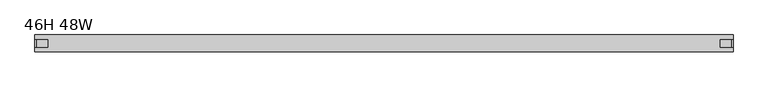
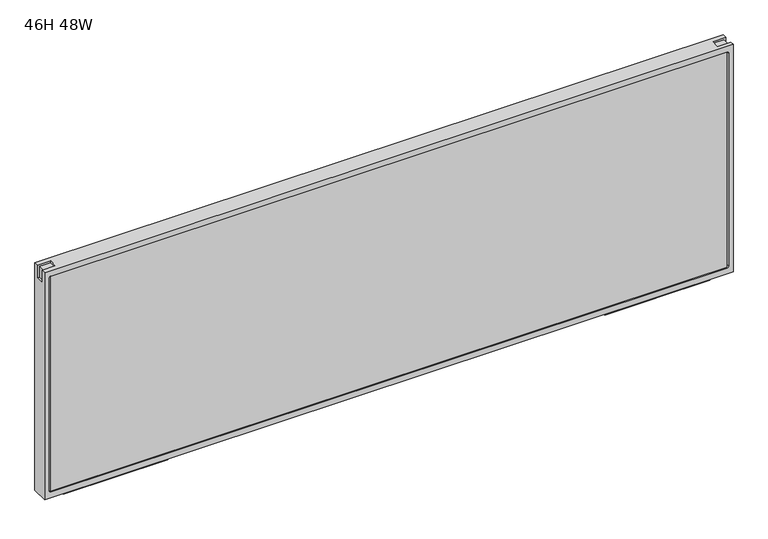
"""IFC4 building model written with IfcOpenShell, lengths in millimetres: furniture geometry, 46H 48W."""

from ifc_helpers import new_model, si_unit, frame, origin, place, context, project, spatial, polyline, circle_curve, outline, extrude, source, transform, mapped, element, save
from ifc_brep_helpers import plane_surface, revolved_surface, advanced_brep


def furniture_46h_48w_407ffd1c(model_context):
    return source(origin(), model_context, "Body", "SolidModel", [
        extrude(outline(polyline([(8.4697679, 726.1923898), (6.659978, 724.3826), (-6.659978, 724.3826), (-8.4697679, 726.1923898), (-8.7854056, 732.2151161), (8.7854056, 732.2151161), (8.4697679, 726.1923898)])), frame((993.8119922, 0.0, 0.0), z_axis=(1.0, 0.0, 0.0), x_axis=(0.0, 1.0, 0.0)), (0.0, 0.0, 1.0), 184.6490785),
        extrude(outline(polyline([(8.4697679, 726.1923898), (6.659978, 724.3826), (-6.659978, 724.3826), (-8.4697679, 726.1923898), (-8.7854056, 732.2151161), (8.7854056, 732.2151161), (8.4697679, 726.1923898)])), frame((37.6909293, 0.0, 0.0), z_axis=(1.0, 0.0, 0.0), x_axis=(0.0, 1.0, 0.0)), (0.0, 0.0, 1.0), 184.6490785),
        advanced_brep(
        [(0.0, -14.75, 1156.589), (0.0, -14.75, 732.2151161), (1216.152, -14.75, 732.2151161), (1216.152, -14.75, 1156.589), (1205.1519651, -14.75, 742.965114), (11.4000184, -14.75, 742.965114), (8.4000005, -14.75, 745.9651317), (8.4000005, -14.75, 1142.8389579), (11.4000383, -14.75, 1145.8389956), (1205.2728524, -14.75, 1145.8389956), (1208.152, -14.75, 1142.959848), (1208.152, -14.75, 745.9651489), (0.0, 14.75, 1156.589), (1216.152, 14.75, 1156.589), (1216.152, 14.75, 732.2151161), (0.0, 14.75, 732.2151161), (1205.1519651, 14.75, 742.965114), (1208.152, 14.75, 745.9651489), (1208.152, 14.75, 1142.959848), (1205.2728524, 14.75, 1145.8389956), (11.4000383, 14.75, 1145.8389956), (8.4000005, 14.75, 1142.8389579), (8.4000005, 14.75, 745.9651317), (11.4000184, 14.75, 742.965114), (0.0, -7.4999998, 1156.589), (0.0, -7.4999998, 1133.2078517), (0.0, 7.4999998, 1133.2078517), (0.0, 7.4999998, 1156.589), (1216.152, 7.4999998, 1156.589), (1216.152, 7.4999998, 1133.1484257), (1216.152, -7.4999998, 1133.1484257), (1216.152, -7.4999998, 1156.589), (1192.7708517, -7.4999998, 1156.589), (1192.7708517, 7.4999998, 1156.589), (23.5000004, 7.4999998, 1156.589), (23.5000004, -7.4999998, 1156.589), (23.5000004, -7.4999998, 1153.3578572), (3.3499999, -7.4999998, 1153.3578572), (3.3499999, -7.4999998, 1133.2078517), (1212.9208572, -7.4999998, 1133.1484257), (1212.9208572, -7.4999998, 1153.2984261), (1192.7708517, -7.4999998, 1153.2984261), (3.3499999, 7.4999998, 1133.2078517), (3.3499999, 7.4999998, 1153.3578572), (23.5000004, 7.4999998, 1153.3578572), (1192.7708517, 7.4999998, 1153.2984261), (1212.9208572, 7.4999998, 1153.2984261), (1212.9208572, 7.4999998, 1133.1484257)],
        [
            (0, 1),
            (1, 2),
            (2, 3),
            (3, 0),
            (4, 5),
            (5, 6, circle_curve(frame((11.4000184, -14.75, 745.9651319), z_axis=(0.0, 1.0, 0.0), x_axis=(1.0, 0.0, 0.0)), 3.0000179)),
            (6, 7),
            (7, 8, circle_curve(frame((11.4000383, -14.75, 1142.8389579), z_axis=(0.0, 1.0, 0.0), x_axis=(1.0, 0.0, 0.0)), 3.0000378)),
            (8, 9),
            (9, 10, circle_curve(frame((1205.2728524, -14.75, 1142.959848), z_axis=(0.0, 1.0, 0.0), x_axis=(1.0, 0.0, 0.0)), 2.8791476)),
            (10, 11),
            (11, 4, circle_curve(frame((1205.1519651, -14.75, 745.9651489), z_axis=(0.0, 1.0, 0.0), x_axis=(1.0, 0.0, 0.0)), 3.0000349)),
            (12, 13),
            (13, 14),
            (14, 15),
            (15, 12),
            (16, 17, circle_curve(frame((1205.1519651, 14.75, 745.9651489), z_axis=(0.0, -1.0, 0.0), x_axis=(1.0, 0.0, 0.0)), 3.0000349)),
            (17, 18),
            (18, 19, circle_curve(frame((1205.2728524, 14.75, 1142.959848), z_axis=(0.0, -1.0, 0.0), x_axis=(1.0, 0.0, 0.0)), 2.8791476)),
            (19, 20),
            (20, 21, circle_curve(frame((11.4000383, 14.75, 1142.8389579), z_axis=(0.0, -1.0, 0.0), x_axis=(1.0, 0.0, 0.0)), 3.0000378)),
            (21, 22),
            (22, 23, circle_curve(frame((11.4000184, 14.75, 745.9651319), z_axis=(0.0, -1.0, 0.0), x_axis=(1.0, 0.0, 0.0)), 3.0000179)),
            (23, 16),
            (0, 24),
            (24, 25),
            (25, 26),
            (26, 27),
            (27, 12),
            (15, 1),
            (14, 2),
            (13, 28),
            (28, 29),
            (29, 30),
            (30, 31),
            (31, 3),
            (31, 32),
            (32, 33),
            (33, 28),
            (27, 34),
            (34, 35),
            (35, 24),
            (4, 16),
            (23, 5),
            (6, 22),
            (21, 7),
            (8, 20),
            (19, 9),
            (35, 36),
            (36, 37),
            (37, 38),
            (38, 25),
            (30, 39),
            (39, 40),
            (40, 41),
            (41, 32),
            (26, 42),
            (42, 43),
            (43, 44),
            (44, 34),
            (33, 45),
            (45, 46),
            (46, 47),
            (47, 29),
            (38, 42),
            (37, 43),
            (44, 36),
            (41, 45),
            (40, 46),
            (39, 47),
            (18, 10),
            (17, 11),
        ],
        [
            plane_surface(frame((0.0, -14.75, 1156.589), z_axis=(0.0, -1.0, 0.0), x_axis=(0.0, 0.0, -1.0))),
            plane_surface(frame((0.0, 14.75, 1156.589), z_axis=(0.0, 1.0, 0.0), x_axis=(0.0, 0.0, 1.0))),
            plane_surface(frame((0.0, -14.75, 1156.589), z_axis=(-1.0, 0.0, 0.0), x_axis=(0.0, 1.0, 0.0))),
            plane_surface(frame((0.0, -14.75, 732.2151161), z_axis=(0.0, 0.0, -1.0), x_axis=(0.0, 1.0, 0.0))),
            plane_surface(frame((1216.152, -14.75, 732.2151161), z_axis=(1.0, 0.0, 0.0), x_axis=(0.0, 1.0, 0.0))),
            plane_surface(frame((1216.152, -14.75, 1156.589), z_axis=(0.0, 0.0, 1.0), x_axis=(0.0, 1.0, 0.0))),
            plane_surface(frame((1205.1519651, -14.75, 742.965114), z_axis=(0.0, 0.0, 1.0), x_axis=(0.0, 1.0, 0.0))),
            plane_surface(frame((8.4000005, -14.75, 745.9651317), z_axis=(1.0, 0.0, 0.0), x_axis=(0.0, 1.0, 0.0))),
            plane_surface(frame((11.4000383, -14.75, 1145.8389956), z_axis=(0.0, 0.0, -1.0), x_axis=(0.0, 1.0, 0.0))),
            plane_surface(frame((0.0, -7.4999998, 1156.589), z_axis=(0.0, 1.0, 0.0), x_axis=(0.0, 0.0, -1.0))),
            plane_surface(frame((0.0, 7.4999998, 1156.589), z_axis=(0.0, -1.0, 0.0), x_axis=(0.0, 0.0, 1.0))),
            plane_surface(frame((0.0, -7.4999998, 1133.2078517), z_axis=(0.0, 0.0, 1.0), x_axis=(0.0, 1.0, 0.0))),
            plane_surface(frame((3.3499999, -7.4999998, 1133.2078517), z_axis=(-1.0, 0.0, 0.0), x_axis=(0.0, 1.0, 0.0))),
            plane_surface(frame((23.5000004, -7.4999998, 1153.3578572), z_axis=(-1.0, 0.0, 0.0), x_axis=(0.0, 1.0, 0.0))),
            plane_surface(frame((3.3499999, -7.4999998, 1153.3578572), z_axis=(0.0, 0.0, 1.0), x_axis=(0.0, 1.0, 0.0))),
            plane_surface(frame((1192.7708517, -7.4999998, 1156.589), z_axis=(1.0, 0.0, 0.0), x_axis=(0.0, 1.0, 0.0))),
            plane_surface(frame((1192.7708517, -7.4999998, 1153.2984261), z_axis=(0.0, 0.0, 1.0), x_axis=(0.0, 1.0, 0.0))),
            plane_surface(frame((1212.9208572, -7.4999998, 1153.2984261), z_axis=(1.0, 0.0, 0.0), x_axis=(0.0, 1.0, 0.0))),
            plane_surface(frame((1212.9208572, -7.4999998, 1133.1484257), z_axis=(0.0, 0.0, 1.0), x_axis=(0.0, 1.0, 0.0))),
            revolved_surface(polyline([(14.4000363, 14.75, 745.9651319), (14.4000363, -14.75, 745.9651319)]), (11.4000184, 0.0, 745.9651319), (0.0, 1.0, 0.0)),
            revolved_surface(polyline([(14.4000761, 14.75, 1142.8389579), (14.4000761, -14.75, 1142.8389579)]), (11.4000383, 0.0, 1142.8389579), (0.0, 1.0, 0.0)),
            revolved_surface(polyline([(1208.1519999999998, 14.75, 1142.959848), (1208.1519999999998, -14.75, 1142.959848)]), (1205.2728524, 0.0, 1142.959848), (0.0, 1.0, 0.0)),
            plane_surface(frame((1208.152, -14.75, 1142.959848), z_axis=(-1.0, 0.0, 0.0), x_axis=(0.0, 1.0, 0.0))),
            revolved_surface(polyline([(1208.152, 14.75, 745.9651489), (1208.152, -14.75, 745.9651489)]), (1205.1519651, 0.0, 745.9651489), (0.0, 1.0, 0.0)),
        ],
        [
            (0, [[1, 2, 3, 4], [5, 6, 7, 8, 9, 10, 11, 12]]),
            (1, [[13, 14, 15, 16], [17, 18, 19, 20, 21, 22, 23, 24]]),
            (2, [[-1, 25, 26, 27, 28, 29, -16, 30]]),
            (3, [[-2, -30, -15, 31]]),
            (4, [[-3, -31, -14, 32, 33, 34, 35, 36]]),
            (5, [[-4, -36, 37, 38, 39, -32, -13, -29, 40, 41, 42, -25]]),
            (6, [[-5, 43, -24, 44]]),
            (7, [[-7, 45, -22, 46]]),
            (8, [[-9, 47, -20, 48]]),
            (9, [[49, 50, 51, 52, -26, -42]]),
            (9, [[53, 54, 55, 56, -37, -35]]),
            (10, [[57, 58, 59, 60, -40, -28]]),
            (10, [[61, 62, 63, 64, -33, -39]]),
            (11, [[-52, 65, -57, -27]]),
            (12, [[-51, 66, -58, -65]]),
            (13, [[-49, -41, -60, 67]]),
            (14, [[-50, -67, -59, -66]]),
            (15, [[-56, 68, -61, -38]]),
            (16, [[-55, 69, -62, -68]]),
            (17, [[-54, 70, -63, -69]]),
            (18, [[-53, -34, -64, -70]]),
            (19, [[-6, -44, -23, -45]]),
            (20, [[-8, -46, -21, -47]]),
            (21, [[-10, -48, -19, 71]]),
            (22, [[-11, -71, -18, 72]]),
            (23, [[-12, -72, -17, -43]]),
        ],
    ),
        extrude(outline(polyline([(1205.652, 13.2219268), (1205.652, -13.2456324), (10.5, -13.2456324), (10.5, 13.2219268), (1205.652, 13.2219268)])), frame((0.0, 0.0, 743.3543649), z_axis=(0.0, 0.0, 1.0), x_axis=(1.0, 0.0, 0.0)), (0.0, 0.0, 1.0), 402.8212067),
    ])


if __name__ == "__main__":
    model = new_model("IFC4")
    model_context = context("Model", 3, world=origin())
    ifc_project = project(units=[si_unit("LENGTHUNIT", "METRE", prefix="MILLI")], contexts=[model_context])
    site = spatial("IfcSite", under=ifc_project)
    building = spatial("IfcBuilding", under=site)
    placement = place(None, origin())
    furniture_46h_48w_shape = furniture_46h_48w_407ffd1c(model_context)
    element("IfcFurniture", 1, ObjectType="46H 48W", at=placement, inside=building, context=model_context, shape_type="MappedRepresentation", body=[
        mapped(furniture_46h_48w_shape, transform((0.0, 0.0, 0.0), x_axis=(1.0, 0.0, 0.0), y_axis=(0.0, 1.0, 0.0), z_axis=(0.0, 0.0, 1.0))),
    ])
    save(model, "model.ifc")
